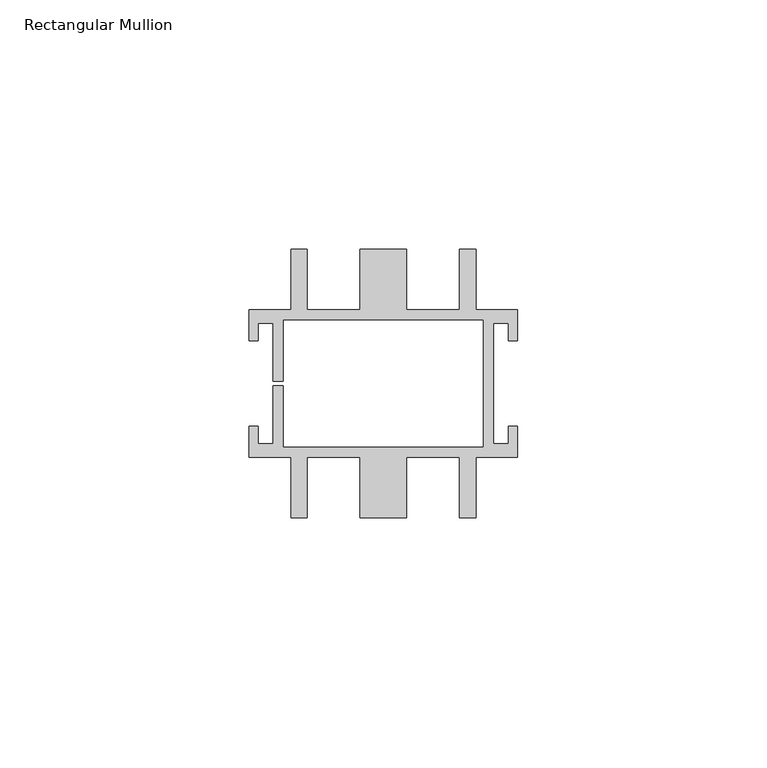
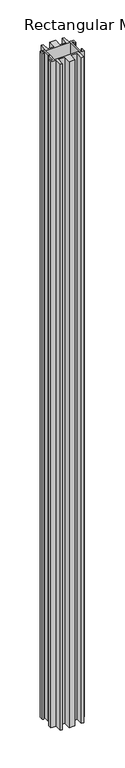
"""IFC4 building model written with IfcOpenShell, lengths in millimetres: member geometry, Rectangular Mullion."""

from ifc_helpers import new_model, si_unit, frame, origin, place, context, project, spatial, polyline, outline, extrude, source, transform, mapped, element, save


def rectangular_mullion_ca05bc91(model_context):
    return source(origin(), model_context, "Body", "SweptSolid", [
        extrude(outline(polyline([(-26.987501, -14.8000005), (-26.987501, -8.6000003), (-25.187501, -8.6000003), (-25.187501, -12.1000004), (-22.0875009, -12.1000004), (-22.0875009, -0.5), (-20.0875008, -0.5), (-20.0875008, -12.8000004), (20.0875008, -12.8000004), (20.0875008, 12.8000004), (-20.0875008, 12.8000004), (-20.0875008, 0.5), (-22.0875009, 0.5), (-22.0875009, 12.1000004), (-25.187501, 12.1000004), (-25.187501, 8.6000003), (-26.987501, 8.6000003), (-26.987501, 14.8000005), (-18.5682277, 14.8000005), (-18.5682277, 26.9875), (-15.2682276, 26.9875), (-15.2682276, 14.8000005), (-4.7000002, 14.8000005), (-4.7000002, 26.9875), (4.7000002, 26.9875), (4.7000002, 14.8000005), (15.2682276, 14.8000005), (15.2682276, 26.9875), (18.5682277, 26.9875), (18.5682277, 14.8000005), (26.987501, 14.8000005), (26.987501, 8.6000003), (25.187501, 8.6000003), (25.187501, 12.1000004), (22.0875009, 12.1000004), (22.0875009, -12.1000004), (25.187501, -12.1000004), (25.187501, -8.6000003), (26.987501, -8.6000003), (26.987501, -14.8000005), (18.5682277, -14.8000005), (18.5682277, -26.9875), (15.2682276, -26.9875), (15.2682276, -14.8000005), (4.7000002, -14.8000005), (4.7000002, -26.9875), (-4.7000002, -26.9875), (-4.7000002, -14.8000005), (-15.2682276, -14.8000005), (-15.2682276, -26.9875), (-18.5682277, -26.9875), (-18.5682277, -14.8000005), (-26.987501, -14.8000005)])), frame((0.0, 0.0, -1133.475), z_axis=(0.0, 0.0, 1.0), x_axis=(1.0, 0.0, 0.0)), (0.0, 0.0, 1.0), 1133.475),
    ])


if __name__ == "__main__":
    model = new_model("IFC4")
    model_context = context("Model", 3, world=origin())
    ifc_project = project(units=[si_unit("LENGTHUNIT", "METRE", prefix="MILLI")], contexts=[model_context])
    site = spatial("IfcSite", under=ifc_project)
    building = spatial("IfcBuilding", under=site)
    placement = place(None, origin())
    rectangular_mullion_shape = rectangular_mullion_ca05bc91(model_context)
    element("IfcMember", 1, ObjectType="Rectangular Mullion", at=placement, inside=building, context=model_context, shape_type="MappedRepresentation", body=[
        mapped(rectangular_mullion_shape, transform((0.0, 0.0, 0.0), x_axis=(1.0, 0.0, 0.0), y_axis=(0.0, 1.0, 0.0), z_axis=(0.0, 0.0, 1.0))),
    ])
    save(model, "model.ifc")
